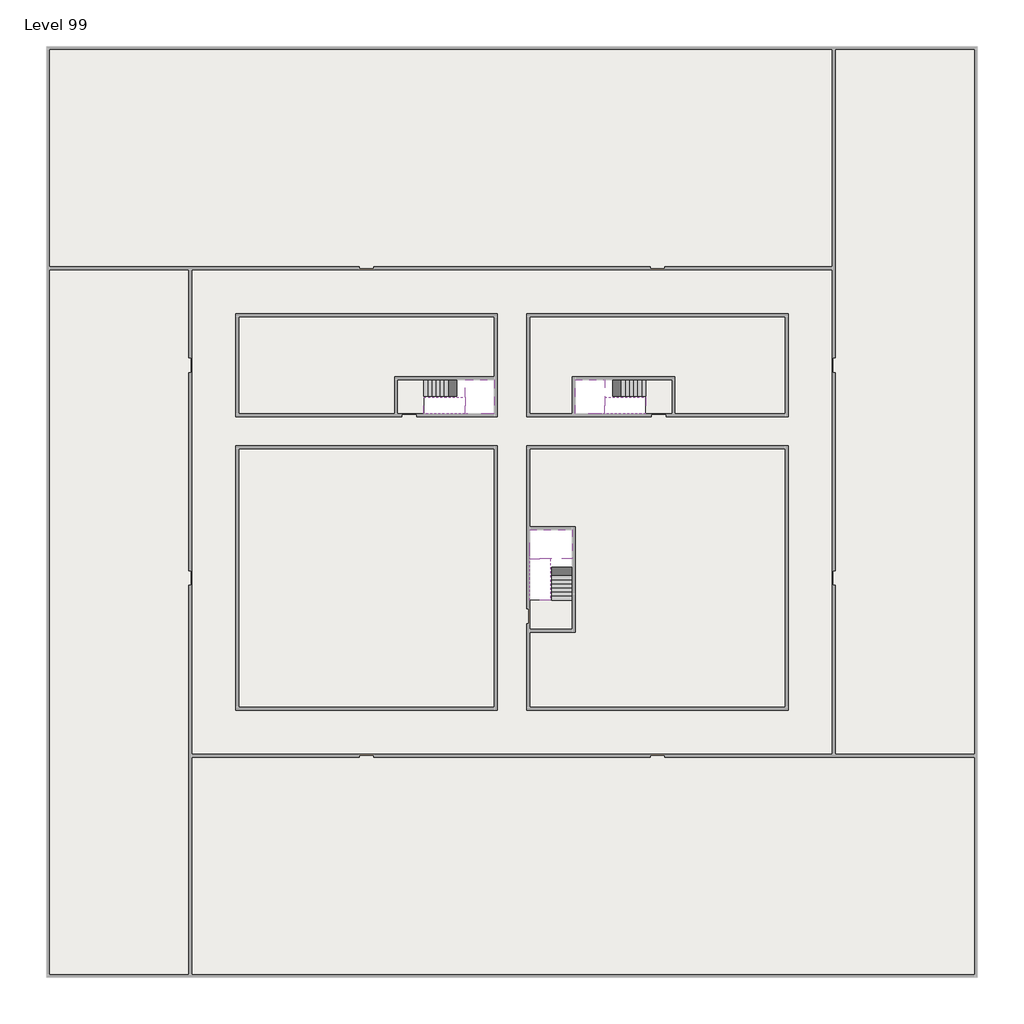
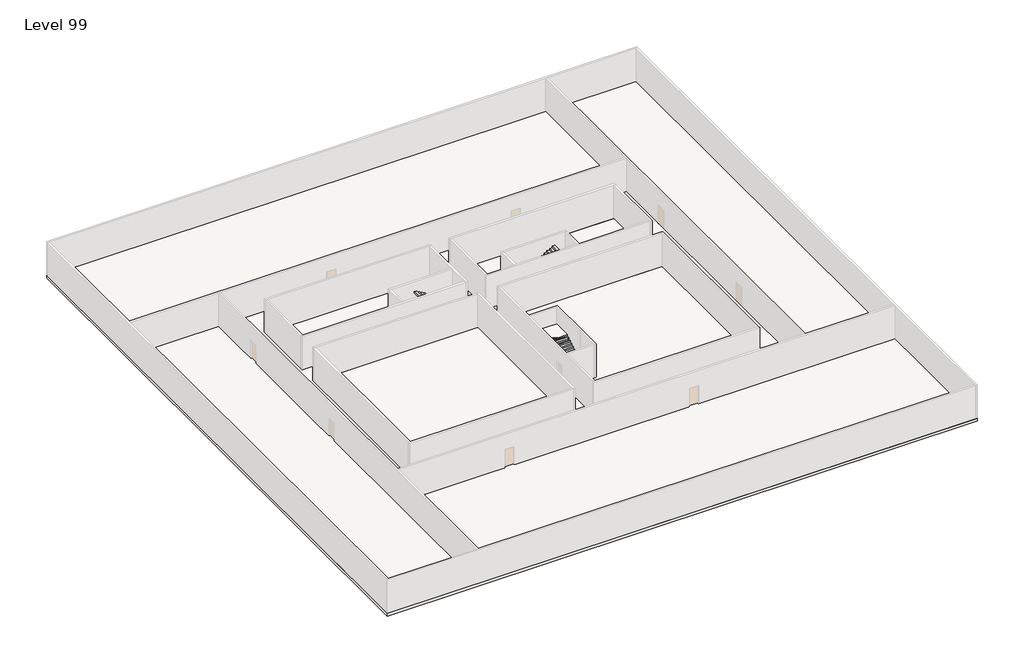
# One storey, part 2 of 2: 6 slabs, 6 stair flights.
"""IFC4 building model written with IfcOpenShell, lengths in millimetres."""

from ifc_helpers import new_model, si_unit, frame, origin, place, context, project, spatial, polyline, outline, extrude, faceted_brep, element, save

model = new_model("IFC4")

# Units and contexts
model_context = context("Model", 3, world=origin())
ifc_project = project(units=[si_unit("LENGTHUNIT", "METRE", prefix="MILLI")], contexts=[model_context])

# Site, building, storey
site = spatial("IfcSite", under=ifc_project)
building = spatial("IfcBuilding", under=site)
storey = spatial("IfcBuildingStorey", under=building, Name="Level 99", Elevation=372400.0)

# Slabs
placement = place(None, origin())
element("IfcSlab", 1, at=placement, inside=storey, context=model_context, shape_type="SweptSolid", body=[
    extrude(outline(polyline([(55890.1058784, -5518.09644), (55890.1058784, -68918.09644), (-7509.8941216, -68918.09644), (-7509.8941216, -5518.09644), (55890.1058784, -5518.09644)]), holes=[polyline([(22990.1058784, -23918.09644), (5590.1058784, -23918.09644), (5590.1058784, -30518.09644), (22990.1058784, -30518.09644), (22990.1058784, -23918.09644)]), polyline([(42990.1058784, -23918.09644), (25390.1058784, -23918.09644), (25390.1058784, -30518.09644), (42990.1058784, -30518.09644), (42990.1058784, -23918.09644)]), polyline([(25390.1058784, -50518.09644), (42790.1058784, -50518.09644), (42790.1058784, -32918.09644), (25390.1058784, -32918.09644), (25390.1058784, -50518.09644)]), polyline([(22990.1058784, -32918.09644), (5590.1058784, -32918.09644), (5590.1058784, -50518.09644), (22990.1058784, -50518.09644), (22990.1058784, -32918.09644)])]), frame((0.0, 0.0, 372100.0), z_axis=(0.0, 0.0, 1.0), x_axis=(1.0, 0.0, 0.0)), (0.0, 0.0, 1.0), 300.0),
])
element("IfcSlab", 2, at=placement, inside=storey, context=model_context, shape_type="SweptSolid", body=[
    extrude(outline(polyline([(22990.1058784, -23918.09644), (22990.1058784, -28018.09644), (16190.1058784, -28018.09644), (16190.1058784, -30518.09644), (5590.1058784, -30518.09644), (5590.1058784, -23918.09644), (22990.1058784, -23918.09644)])), frame((0.0, 0.0, 372100.0), z_axis=(0.0, 0.0, 1.0), x_axis=(1.0, 0.0, 0.0)), (0.0, 0.0, 1.0), 300.0),
    extrude(outline(polyline([(42790.1058784, -23918.09644), (42790.1058784, -30518.09644), (35290.1058784, -30518.09644), (35290.1058784, -28018.09644), (28490.1058784, -28018.09644), (28490.1058784, -30518.09644), (25390.1058784, -30518.09644), (25390.1058784, -23918.09644), (42790.1058784, -23918.09644)])), frame((0.0, 0.0, 372100.0), z_axis=(0.0, 0.0, 1.0), x_axis=(1.0, 0.0, 0.0)), (0.0, 0.0, 1.0), 300.0),
    extrude(outline(polyline([(22990.1058784, -32918.09644), (22990.1058784, -50518.09644), (5590.1058784, -50518.09644), (5590.1058784, -32918.09644), (22990.1058784, -32918.09644)])), frame((0.0, 0.0, 372100.0), z_axis=(0.0, 0.0, 1.0), x_axis=(1.0, 0.0, 0.0)), (0.0, 0.0, 1.0), 300.0),
    extrude(outline(polyline([(25390.1058784, -38218.09644), (25390.1058784, -32918.09644), (42790.1058784, -32918.09644), (42790.1058784, -50518.09644), (25390.1058784, -50518.09644), (25390.1058784, -45418.09644), (28490.1058784, -45418.09644), (28490.1058784, -38218.09644), (25390.1058784, -38218.09644)])), frame((0.0, 0.0, 372100.0), z_axis=(0.0, 0.0, 1.0), x_axis=(1.0, 0.0, 0.0)), (0.0, 0.0, 1.0), 300.0),
])
element("IfcSlab", 3, at=placement, inside=storey, context=model_context, shape_type="Brep", body=[
    faceted_brep([(26890.1058784, -40418.09644, 374300.0), (28290.1058784, -40418.09644, 374300.0), (28290.1058784, -40338.7100038, 374300.0), (28290.1058784, -38418.09644, 374300.0), (25390.1058784, -38418.09644, 374300.0), (25390.1058784, -40217.4828763, 374300.0), (25390.1058784, -40418.09644, 374300.0), (26790.1058784, -40418.09644, 374300.0), (26890.1058784, -40418.09644, 374000.0), (26890.1058784, -40418.09644, 373951.0278478), (28290.1058784, -40418.09644, 373951.0278478), (28290.1058784, -40418.09644, 374127.2727273), (28290.1058784, -40338.7100038, 374000.0), (28290.1058784, -38418.09644, 374000.0), (25390.1058784, -38418.09644, 374000.0), (25390.1058784, -40217.4828763, 374000.0), (25390.1058784, -40418.09644, 374123.7551205), (26790.1058784, -40418.09644, 374123.7551205), (26790.1058784, -40418.09644, 374000.0), (26790.1058784, -40217.4828763, 374000.0), (26890.1058784, -40338.7100038, 374000.0)], [[[0, 1, 2, 3, 4, 5, 6, 7]], [[1, 0, 8, 9, 10, 11]], [[1, 11, 10, 12, 13, 3, 2]], [[4, 3, 13, 14]], [[4, 14, 15, 16, 6, 5]], [[7, 6, 16, 17]], [[0, 7, 17, 18, 8]], [[18, 19, 15, 14, 13, 12, 20, 8]], [[19, 18, 17]], [[20, 12, 10, 9]], [[8, 20, 9]], [[15, 19, 17, 16]]]),
])
element("IfcSlab", 4, at=placement, inside=storey, context=model_context, shape_type="Brep", body=[
    faceted_brep([(20990.1058784, -28218.09644, 374300.0), (20990.1058784, -29318.09644, 374300.0), (20990.1058784, -29418.09644, 374300.0), (20990.1058784, -30518.09644, 374300.0), (21190.7194421, -30518.09644, 374300.0), (22990.1058784, -30518.09644, 374300.0), (22990.1058784, -28218.09644, 374300.0), (21069.4923146, -28218.09644, 374300.0), (20990.1058784, -28218.09644, 374127.2727273), (20990.1058784, -28218.09644, 373951.0278478), (20990.1058784, -29318.09644, 373951.0278478), (20990.1058784, -29318.09644, 374000.0), (20990.1058784, -29418.09644, 374000.0), (20990.1058784, -29418.09644, 374123.7551205), (20990.1058784, -30518.09644, 374123.7551205), (21190.7194421, -30518.09644, 374000.0), (22990.1058784, -30518.09644, 374000.0), (22990.1058784, -28218.09644, 374000.0), (21069.4923146, -28218.09644, 374000.0), (21190.7194421, -29418.09644, 374000.0), (21069.4923146, -29318.09644, 374000.0)], [[[0, 1, 2, 3, 4, 5, 6, 7]], [[1, 0, 8, 9, 10, 11]], [[2, 1, 11, 12, 13]], [[3, 2, 13, 14]], [[3, 14, 15, 16, 5, 4]], [[6, 5, 16, 17]], [[9, 8, 0, 7, 6, 17, 18]], [[19, 12, 11, 20, 18, 17, 16, 15]], [[12, 19, 13]], [[18, 20, 10, 9]], [[20, 11, 10]], [[19, 15, 14, 13]]]),
])
element("IfcSlab", 5, at=placement, inside=storey, context=model_context, shape_type="Brep", body=[
    faceted_brep([(30490.1058784, -29318.09644, 374300.0), (30490.1058784, -28218.09644, 374300.0), (30410.7194421, -28218.09644, 374300.0), (28490.1058784, -28218.09644, 374300.0), (28490.1058784, -30518.09644, 374300.0), (30289.4923146, -30518.09644, 374300.0), (30490.1058784, -30518.09644, 374300.0), (30490.1058784, -29418.09644, 374300.0), (30490.1058784, -29318.09644, 374000.0), (30490.1058784, -29318.09644, 373951.0278478), (30490.1058784, -28218.09644, 373951.0278478), (30490.1058784, -28218.09644, 374127.2727273), (30490.1058784, -29418.09644, 374123.7551205), (30490.1058784, -29418.09644, 374000.0), (30490.1058784, -30518.09644, 374123.7551205), (28490.1058784, -30518.09644, 374000.0), (30289.4923146, -30518.09644, 374000.0), (28490.1058784, -28218.09644, 374000.0), (30410.7194421, -28218.09644, 374000.0), (30289.4923146, -29418.09644, 374000.0), (30410.7194421, -29318.09644, 374000.0)], [[[0, 1, 2, 3, 4, 5, 6, 7]], [[1, 0, 8, 9, 10, 11]], [[0, 7, 12, 13, 8]], [[7, 6, 14, 12]], [[4, 15, 16, 14, 6, 5]], [[4, 3, 17, 15]], [[1, 11, 10, 18, 17, 3, 2]], [[13, 19, 16, 15, 17, 18, 20, 8]], [[20, 18, 10, 9]], [[8, 20, 9]], [[16, 19, 12, 14]], [[19, 13, 12]]]),
])
element("IfcSlab", 6, at=placement, inside=storey, context=model_context, shape_type="SweptSolid", body=[
    extrude(outline(polyline([(35090.1058784, -28218.09644), (35090.1058784, -30518.09644), (33290.1058784, -30518.09644), (33290.1058784, -28218.09644), (35090.1058784, -28218.09644)])), frame((0.0, 0.0, 372100.0), z_axis=(0.0, 0.0, 1.0), x_axis=(1.0, 0.0, 0.0)), (0.0, 0.0, 1.0), 300.0),
    extrude(outline(polyline([(18190.1058784, -28218.09644), (18190.1058784, -30518.09644), (16390.1058784, -30518.09644), (16390.1058784, -28218.09644), (18190.1058784, -28218.09644)])), frame((0.0, 0.0, 372100.0), z_axis=(0.0, 0.0, 1.0), x_axis=(1.0, 0.0, 0.0)), (0.0, 0.0, 1.0), 300.0),
    extrude(outline(polyline([(28290.1058784, -43218.09644), (28290.1058784, -45218.09644), (25390.1058784, -45218.09644), (25390.1058784, -43218.09644), (28290.1058784, -43218.09644)])), frame((0.0, 0.0, 372100.0), z_axis=(0.0, 0.0, 1.0), x_axis=(1.0, 0.0, 0.0)), (0.0, 0.0, 1.0), 300.0),
])

# Stair flights
element("IfcStairFlight", 7, at=placement, inside=storey, context=model_context, shape_type="Brep", body=[
    faceted_brep([(26890.1058784, -42938.09644, 372572.7272727), (26890.1058784, -43218.09644, 372572.7272727), (28290.1058784, -43218.09644, 372572.7272727), (28290.1058784, -42938.09644, 372572.7272727), (26890.1058784, -42938.09644, 372400.0), (26890.1058784, -43218.09644, 372400.0), (28290.1058784, -43218.09644, 372400.0), (28290.1058784, -42938.09644, 372400.0), (26890.1058784, -42658.09644, 372745.4545455), (26890.1058784, -42938.09644, 372745.4545455), (28290.1058784, -42938.09644, 372745.4545455), (28290.1058784, -42658.09644, 372745.4545455), (26890.1058784, -42658.09644, 372569.209666), (26890.1058784, -42932.3942143, 372400.0), (28290.1058784, -42932.3942143, 372400.0), (28290.1058784, -42658.09644, 372569.209666), (26890.1058784, -42378.09644, 372918.1818182), (26890.1058784, -42658.09644, 372918.1818182), (28290.1058784, -42658.09644, 372918.1818182), (28290.1058784, -42378.09644, 372918.1818182), (26890.1058784, -42378.09644, 372741.9369387), (28290.1058784, -42378.09644, 372741.9369387), (26890.1058784, -42098.09644, 373090.9090909), (26890.1058784, -42378.09644, 373090.9090909), (28290.1058784, -42378.09644, 373090.9090909), (28290.1058784, -42098.09644, 373090.9090909), (26890.1058784, -42098.09644, 372914.6642114), (28290.1058784, -42098.09644, 372914.6642114), (26890.1058784, -41818.09644, 373263.6363636), (26890.1058784, -42098.09644, 373263.6363636), (28290.1058784, -42098.09644, 373263.6363636), (28290.1058784, -41818.09644, 373263.6363636), (26890.1058784, -41818.09644, 373087.3914841), (28290.1058784, -41818.09644, 373087.3914841), (26890.1058784, -41538.09644, 373436.3636364), (26890.1058784, -41818.09644, 373436.3636364), (28290.1058784, -41818.09644, 373436.3636364), (28290.1058784, -41538.09644, 373436.3636364), (26890.1058784, -41538.09644, 373260.1187569), (28290.1058784, -41538.09644, 373260.1187569), (26890.1058784, -41258.09644, 373609.0909091), (26890.1058784, -41538.09644, 373609.0909091), (28290.1058784, -41538.09644, 373609.0909091), (28290.1058784, -41258.09644, 373609.0909091), (26890.1058784, -41258.09644, 373432.8460296), (28290.1058784, -41258.09644, 373432.8460296), (26890.1058784, -40978.09644, 373781.8181818), (26890.1058784, -41258.09644, 373781.8181818), (28290.1058784, -41258.09644, 373781.8181818), (28290.1058784, -40978.09644, 373781.8181818), (26890.1058784, -40978.09644, 373605.5733023), (28290.1058784, -40978.09644, 373605.5733023), (26890.1058784, -40698.09644, 373954.5454545), (26890.1058784, -40978.09644, 373954.5454545), (28290.1058784, -40978.09644, 373954.5454545), (28290.1058784, -40698.09644, 373954.5454545), (26890.1058784, -40698.09644, 373778.3005751), (28290.1058784, -40698.09644, 373778.3005751), (26890.1058784, -40418.09644, 374127.2727273), (26890.1058784, -40698.09644, 374127.2727273), (28290.1058784, -40698.09644, 374127.2727273), (28290.1058784, -40418.09644, 374127.2727273), (26890.1058784, -40418.09644, 374000.0), (26890.1058784, -40418.09644, 373951.0278478), (28290.1058784, -40418.09644, 373951.0278478)], [[[0, 1, 2, 3]], [[1, 0, 4, 5]], [[2, 1, 5, 6]], [[3, 2, 6, 7]], [[8, 9, 10, 11]], [[4, 0, 9, 8, 12, 13]], [[0, 3, 10, 9]], [[3, 7, 14, 15, 11, 10]], [[16, 17, 18, 19]], [[17, 16, 20, 12, 8]], [[8, 11, 18, 17]], [[19, 18, 11, 15, 21]], [[22, 23, 24, 25]], [[23, 22, 26, 20, 16]], [[16, 19, 24, 23]], [[25, 24, 19, 21, 27]], [[28, 29, 30, 31]], [[29, 28, 32, 26, 22]], [[22, 25, 30, 29]], [[31, 30, 25, 27, 33]], [[34, 35, 36, 37]], [[35, 34, 38, 32, 28]], [[28, 31, 36, 35]], [[37, 36, 31, 33, 39]], [[40, 41, 42, 43]], [[41, 40, 44, 38, 34]], [[34, 37, 42, 41]], [[43, 42, 37, 39, 45]], [[46, 47, 48, 49]], [[47, 46, 50, 44, 40]], [[40, 43, 48, 47]], [[49, 48, 43, 45, 51]], [[52, 53, 54, 55]], [[53, 52, 56, 50, 46]], [[46, 49, 54, 53]], [[55, 54, 49, 51, 57]], [[58, 59, 60, 61]], [[59, 58, 62, 63, 56, 52]], [[52, 55, 60, 59]], [[61, 60, 55, 57, 64]], [[58, 61, 64, 63, 62]], [[5, 4, 13, 14, 7, 6]], [[14, 13, 12, 20, 26, 32, 38, 44, 50, 56, 63, 64, 57, 51, 45, 39, 33, 27, 21, 15]]]),
])
element("IfcStairFlight", 8, at=placement, inside=storey, context=model_context, shape_type="Brep", body=[
    faceted_brep([(26790.1058784, -40698.09644, 374472.7272727), (26790.1058784, -40418.09644, 374472.7272727), (25390.1058784, -40418.09644, 374472.7272727), (25390.1058784, -40698.09644, 374472.7272727), (26790.1058784, -40698.09644, 374296.4823932), (26790.1058784, -40418.09644, 374123.7551205), (25390.1058784, -40418.09644, 374123.7551205), (25390.1058784, -40418.09644, 374300.0), (25390.1058784, -40698.09644, 374296.4823932), (26790.1058784, -40978.09644, 374645.4545455), (26790.1058784, -40698.09644, 374645.4545455), (25390.1058784, -40698.09644, 374645.4545455), (25390.1058784, -40978.09644, 374645.4545455), (26790.1058784, -40978.09644, 374469.209666), (25390.1058784, -40978.09644, 374469.209666), (26790.1058784, -41258.09644, 374818.1818182), (26790.1058784, -40978.09644, 374818.1818182), (25390.1058784, -40978.09644, 374818.1818182), (25390.1058784, -41258.09644, 374818.1818182), (26790.1058784, -41258.09644, 374641.9369387), (25390.1058784, -41258.09644, 374641.9369387), (26790.1058784, -41538.09644, 374990.9090909), (26790.1058784, -41258.09644, 374990.9090909), (25390.1058784, -41258.09644, 374990.9090909), (25390.1058784, -41538.09644, 374990.9090909), (26790.1058784, -41538.09644, 374814.6642114), (25390.1058784, -41538.09644, 374814.6642114), (26790.1058784, -41818.09644, 375163.6363636), (26790.1058784, -41538.09644, 375163.6363636), (25390.1058784, -41538.09644, 375163.6363636), (25390.1058784, -41818.09644, 375163.6363636), (26790.1058784, -41818.09644, 374987.3914841), (25390.1058784, -41818.09644, 374987.3914841), (26790.1058784, -42098.09644, 375336.3636364), (26790.1058784, -41818.09644, 375336.3636364), (25390.1058784, -41818.09644, 375336.3636364), (25390.1058784, -42098.09644, 375336.3636364), (26790.1058784, -42098.09644, 375160.1187569), (25390.1058784, -42098.09644, 375160.1187569), (26790.1058784, -42378.09644, 375509.0909091), (26790.1058784, -42098.09644, 375509.0909091), (25390.1058784, -42098.09644, 375509.0909091), (25390.1058784, -42378.09644, 375509.0909091), (26790.1058784, -42378.09644, 375332.8460296), (25390.1058784, -42378.09644, 375332.8460296), (26790.1058784, -42658.09644, 375681.8181818), (26790.1058784, -42378.09644, 375681.8181818), (25390.1058784, -42378.09644, 375681.8181818), (25390.1058784, -42658.09644, 375681.8181818), (26790.1058784, -42658.09644, 375505.5733023), (25390.1058784, -42658.09644, 375505.5733023), (26790.1058784, -42938.09644, 375854.5454545), (26790.1058784, -42658.09644, 375854.5454545), (25390.1058784, -42658.09644, 375854.5454545), (25390.1058784, -42938.09644, 375854.5454545), (26790.1058784, -42938.09644, 375678.3005751), (25390.1058784, -42938.09644, 375678.3005751), (26790.1058784, -43218.09644, 376027.2727273), (26790.1058784, -42938.09644, 376027.2727273), (25390.1058784, -42938.09644, 376027.2727273), (25390.1058784, -43218.09644, 376027.2727273), (26790.1058784, -43218.09644, 375851.0278478), (25390.1058784, -43218.09644, 375851.0278478)], [[[0, 1, 2, 3]], [[1, 0, 4, 5]], [[2, 1, 5, 6, 7]], [[3, 2, 7, 6, 8]], [[9, 10, 11, 12]], [[10, 9, 13, 4, 0]], [[11, 10, 0, 3]], [[12, 11, 3, 8, 14]], [[15, 16, 17, 18]], [[16, 15, 19, 13, 9]], [[17, 16, 9, 12]], [[18, 17, 12, 14, 20]], [[21, 22, 23, 24]], [[22, 21, 25, 19, 15]], [[23, 22, 15, 18]], [[24, 23, 18, 20, 26]], [[27, 28, 29, 30]], [[28, 27, 31, 25, 21]], [[29, 28, 21, 24]], [[30, 29, 24, 26, 32]], [[33, 34, 35, 36]], [[34, 33, 37, 31, 27]], [[35, 34, 27, 30]], [[36, 35, 30, 32, 38]], [[39, 40, 41, 42]], [[40, 39, 43, 37, 33]], [[41, 40, 33, 36]], [[42, 41, 36, 38, 44]], [[45, 46, 47, 48]], [[46, 45, 49, 43, 39]], [[47, 46, 39, 42]], [[48, 47, 42, 44, 50]], [[51, 52, 53, 54]], [[52, 51, 55, 49, 45]], [[53, 52, 45, 48]], [[54, 53, 48, 50, 56]], [[57, 58, 59, 60]], [[58, 57, 61, 55, 51]], [[59, 58, 51, 54]], [[60, 59, 54, 56, 62]], [[57, 60, 62, 61]], [[5, 4, 13, 19, 25, 31, 37, 43, 49, 55, 61, 62, 56, 50, 44, 38, 32, 26, 20, 14, 8, 6]]]),
])
element("IfcStairFlight", 9, at=placement, inside=storey, context=model_context, shape_type="Brep", body=[
    faceted_brep([(18470.1058784, -28218.09644, 372572.7272727), (18190.1058784, -28218.09644, 372572.7272727), (18190.1058784, -29318.09644, 372572.7272727), (18470.1058784, -29318.09644, 372572.7272727), (18470.1058784, -28218.09644, 372400.0), (18190.1058784, -28218.09644, 372400.0), (18190.1058784, -29318.09644, 372400.0), (18470.1058784, -29318.09644, 372400.0), (18750.1058784, -28218.09644, 372745.4545455), (18470.1058784, -28218.09644, 372745.4545455), (18470.1058784, -29318.09644, 372745.4545455), (18750.1058784, -29318.09644, 372745.4545455), (18750.1058784, -28218.09644, 372569.209666), (18475.8081041, -28218.09644, 372400.0), (18475.8081041, -29318.09644, 372400.0), (18750.1058784, -29318.09644, 372569.209666), (19030.1058784, -28218.09644, 372918.1818182), (18750.1058784, -28218.09644, 372918.1818182), (18750.1058784, -29318.09644, 372918.1818182), (19030.1058784, -29318.09644, 372918.1818182), (19030.1058784, -28218.09644, 372741.9369387), (19030.1058784, -29318.09644, 372741.9369387), (19310.1058784, -28218.09644, 373090.9090909), (19030.1058784, -28218.09644, 373090.9090909), (19030.1058784, -29318.09644, 373090.9090909), (19310.1058784, -29318.09644, 373090.9090909), (19310.1058784, -28218.09644, 372914.6642114), (19310.1058784, -29318.09644, 372914.6642114), (19590.1058784, -28218.09644, 373263.6363636), (19310.1058784, -28218.09644, 373263.6363636), (19310.1058784, -29318.09644, 373263.6363636), (19590.1058784, -29318.09644, 373263.6363636), (19590.1058784, -28218.09644, 373087.3914841), (19590.1058784, -29318.09644, 373087.3914841), (19870.1058784, -28218.09644, 373436.3636364), (19590.1058784, -28218.09644, 373436.3636364), (19590.1058784, -29318.09644, 373436.3636364), (19870.1058784, -29318.09644, 373436.3636364), (19870.1058784, -28218.09644, 373260.1187569), (19870.1058784, -29318.09644, 373260.1187569), (20150.1058784, -28218.09644, 373609.0909091), (19870.1058784, -28218.09644, 373609.0909091), (19870.1058784, -29318.09644, 373609.0909091), (20150.1058784, -29318.09644, 373609.0909091), (20150.1058784, -28218.09644, 373432.8460296), (20150.1058784, -29318.09644, 373432.8460296), (20430.1058784, -28218.09644, 373781.8181818), (20150.1058784, -28218.09644, 373781.8181818), (20150.1058784, -29318.09644, 373781.8181818), (20430.1058784, -29318.09644, 373781.8181818), (20430.1058784, -28218.09644, 373605.5733023), (20430.1058784, -29318.09644, 373605.5733023), (20710.1058784, -28218.09644, 373954.5454545), (20430.1058784, -28218.09644, 373954.5454545), (20430.1058784, -29318.09644, 373954.5454545), (20710.1058784, -29318.09644, 373954.5454545), (20710.1058784, -28218.09644, 373778.3005751), (20710.1058784, -29318.09644, 373778.3005751), (20990.1058784, -28218.09644, 374127.2727273), (20710.1058784, -28218.09644, 374127.2727273), (20710.1058784, -29318.09644, 374127.2727273), (20990.1058784, -29318.09644, 374127.2727273), (20990.1058784, -28218.09644, 373951.0278478), (20990.1058784, -29318.09644, 373951.0278478), (20990.1058784, -29318.09644, 374000.0)], [[[0, 1, 2, 3]], [[1, 0, 4, 5]], [[2, 1, 5, 6]], [[3, 2, 6, 7]], [[8, 9, 10, 11]], [[4, 0, 9, 8, 12, 13]], [[0, 3, 10, 9]], [[3, 7, 14, 15, 11, 10]], [[16, 17, 18, 19]], [[17, 16, 20, 12, 8]], [[8, 11, 18, 17]], [[19, 18, 11, 15, 21]], [[22, 23, 24, 25]], [[23, 22, 26, 20, 16]], [[16, 19, 24, 23]], [[25, 24, 19, 21, 27]], [[28, 29, 30, 31]], [[29, 28, 32, 26, 22]], [[22, 25, 30, 29]], [[31, 30, 25, 27, 33]], [[34, 35, 36, 37]], [[35, 34, 38, 32, 28]], [[28, 31, 36, 35]], [[37, 36, 31, 33, 39]], [[40, 41, 42, 43]], [[41, 40, 44, 38, 34]], [[34, 37, 42, 41]], [[43, 42, 37, 39, 45]], [[46, 47, 48, 49]], [[47, 46, 50, 44, 40]], [[40, 43, 48, 47]], [[49, 48, 43, 45, 51]], [[52, 53, 54, 55]], [[53, 52, 56, 50, 46]], [[46, 49, 54, 53]], [[55, 54, 49, 51, 57]], [[58, 59, 60, 61]], [[59, 58, 62, 56, 52]], [[52, 55, 60, 59]], [[61, 60, 55, 57, 63, 64]], [[58, 61, 64, 63, 62]], [[5, 4, 13, 14, 7, 6]], [[14, 13, 12, 20, 26, 32, 38, 44, 50, 56, 62, 63, 57, 51, 45, 39, 33, 27, 21, 15]]]),
])
element("IfcStairFlight", 10, at=placement, inside=storey, context=model_context, shape_type="Brep", body=[
    faceted_brep([(20710.1058784, -30518.09644, 374472.7272727), (20990.1058784, -30518.09644, 374472.7272727), (20990.1058784, -29418.09644, 374472.7272727), (20710.1058784, -29418.09644, 374472.7272727), (20710.1058784, -30518.09644, 374296.4823932), (20990.1058784, -30518.09644, 374123.7551205), (20990.1058784, -30518.09644, 374300.0), (20990.1058784, -29418.09644, 374123.7551205), (20710.1058784, -29418.09644, 374296.4823932), (20430.1058784, -30518.09644, 374645.4545455), (20710.1058784, -30518.09644, 374645.4545455), (20710.1058784, -29418.09644, 374645.4545455), (20430.1058784, -29418.09644, 374645.4545455), (20430.1058784, -30518.09644, 374469.209666), (20430.1058784, -29418.09644, 374469.209666), (20150.1058784, -30518.09644, 374818.1818182), (20430.1058784, -30518.09644, 374818.1818182), (20430.1058784, -29418.09644, 374818.1818182), (20150.1058784, -29418.09644, 374818.1818182), (20150.1058784, -30518.09644, 374641.9369387), (20150.1058784, -29418.09644, 374641.9369387), (19870.1058784, -30518.09644, 374990.9090909), (20150.1058784, -30518.09644, 374990.9090909), (20150.1058784, -29418.09644, 374990.9090909), (19870.1058784, -29418.09644, 374990.9090909), (19870.1058784, -30518.09644, 374814.6642114), (19870.1058784, -29418.09644, 374814.6642114), (19590.1058784, -30518.09644, 375163.6363636), (19870.1058784, -30518.09644, 375163.6363636), (19870.1058784, -29418.09644, 375163.6363636), (19590.1058784, -29418.09644, 375163.6363636), (19590.1058784, -30518.09644, 374987.3914841), (19590.1058784, -29418.09644, 374987.3914841), (19310.1058784, -30518.09644, 375336.3636364), (19590.1058784, -30518.09644, 375336.3636364), (19590.1058784, -29418.09644, 375336.3636364), (19310.1058784, -29418.09644, 375336.3636364), (19310.1058784, -30518.09644, 375160.1187569), (19310.1058784, -29418.09644, 375160.1187569), (19030.1058784, -30518.09644, 375509.0909091), (19310.1058784, -30518.09644, 375509.0909091), (19310.1058784, -29418.09644, 375509.0909091), (19030.1058784, -29418.09644, 375509.0909091), (19030.1058784, -30518.09644, 375332.8460296), (19030.1058784, -29418.09644, 375332.8460296), (18750.1058784, -30518.09644, 375681.8181818), (19030.1058784, -30518.09644, 375681.8181818), (19030.1058784, -29418.09644, 375681.8181818), (18750.1058784, -29418.09644, 375681.8181818), (18750.1058784, -30518.09644, 375505.5733023), (18750.1058784, -29418.09644, 375505.5733023), (18470.1058784, -30518.09644, 375854.5454545), (18750.1058784, -30518.09644, 375854.5454545), (18750.1058784, -29418.09644, 375854.5454545), (18470.1058784, -29418.09644, 375854.5454545), (18470.1058784, -30518.09644, 375678.3005751), (18470.1058784, -29418.09644, 375678.3005751), (18190.1058784, -30518.09644, 376027.2727273), (18470.1058784, -30518.09644, 376027.2727273), (18470.1058784, -29418.09644, 376027.2727273), (18190.1058784, -29418.09644, 376027.2727273), (18190.1058784, -30518.09644, 375851.0278478), (18190.1058784, -29418.09644, 375851.0278478)], [[[0, 1, 2, 3]], [[1, 0, 4, 5, 6]], [[2, 1, 6, 5, 7]], [[3, 2, 7, 8]], [[9, 10, 11, 12]], [[10, 9, 13, 4, 0]], [[11, 10, 0, 3]], [[12, 11, 3, 8, 14]], [[15, 16, 17, 18]], [[16, 15, 19, 13, 9]], [[17, 16, 9, 12]], [[18, 17, 12, 14, 20]], [[21, 22, 23, 24]], [[22, 21, 25, 19, 15]], [[23, 22, 15, 18]], [[24, 23, 18, 20, 26]], [[27, 28, 29, 30]], [[28, 27, 31, 25, 21]], [[29, 28, 21, 24]], [[30, 29, 24, 26, 32]], [[33, 34, 35, 36]], [[34, 33, 37, 31, 27]], [[35, 34, 27, 30]], [[36, 35, 30, 32, 38]], [[39, 40, 41, 42]], [[40, 39, 43, 37, 33]], [[41, 40, 33, 36]], [[42, 41, 36, 38, 44]], [[45, 46, 47, 48]], [[46, 45, 49, 43, 39]], [[47, 46, 39, 42]], [[48, 47, 42, 44, 50]], [[51, 52, 53, 54]], [[52, 51, 55, 49, 45]], [[53, 52, 45, 48]], [[54, 53, 48, 50, 56]], [[57, 58, 59, 60]], [[58, 57, 61, 55, 51]], [[59, 58, 51, 54]], [[60, 59, 54, 56, 62]], [[57, 60, 62, 61]], [[5, 4, 13, 19, 25, 31, 37, 43, 49, 55, 61, 62, 56, 50, 44, 38, 32, 26, 20, 14, 8, 7]]]),
])
element("IfcStairFlight", 11, at=placement, inside=storey, context=model_context, shape_type="Brep", body=[
    faceted_brep([(33010.1058784, -29318.09644, 372572.7272727), (33290.1058784, -29318.09644, 372572.7272727), (33290.1058784, -28218.09644, 372572.7272727), (33010.1058784, -28218.09644, 372572.7272727), (33290.1058784, -28218.09644, 372400.0), (33010.1058784, -28218.09644, 372400.0), (33290.1058784, -29318.09644, 372400.0), (33010.1058784, -29318.09644, 372400.0), (32730.1058784, -29318.09644, 372745.4545455), (33010.1058784, -29318.09644, 372745.4545455), (33010.1058784, -28218.09644, 372745.4545455), (32730.1058784, -28218.09644, 372745.4545455), (33004.4036527, -28218.09644, 372400.0), (32730.1058784, -28218.09644, 372569.209666), (32730.1058784, -29318.09644, 372569.209666), (33004.4036527, -29318.09644, 372400.0), (32450.1058784, -29318.09644, 372918.1818182), (32730.1058784, -29318.09644, 372918.1818182), (32730.1058784, -28218.09644, 372918.1818182), (32450.1058784, -28218.09644, 372918.1818182), (32450.1058784, -28218.09644, 372741.9369387), (32450.1058784, -29318.09644, 372741.9369387), (32170.1058784, -29318.09644, 373090.9090909), (32450.1058784, -29318.09644, 373090.9090909), (32450.1058784, -28218.09644, 373090.9090909), (32170.1058784, -28218.09644, 373090.9090909), (32170.1058784, -28218.09644, 372914.6642114), (32170.1058784, -29318.09644, 372914.6642114), (31890.1058784, -29318.09644, 373263.6363636), (32170.1058784, -29318.09644, 373263.6363636), (32170.1058784, -28218.09644, 373263.6363636), (31890.1058784, -28218.09644, 373263.6363636), (31890.1058784, -28218.09644, 373087.3914841), (31890.1058784, -29318.09644, 373087.3914841), (31610.1058784, -29318.09644, 373436.3636364), (31890.1058784, -29318.09644, 373436.3636364), (31890.1058784, -28218.09644, 373436.3636364), (31610.1058784, -28218.09644, 373436.3636364), (31610.1058784, -28218.09644, 373260.1187569), (31610.1058784, -29318.09644, 373260.1187569), (31330.1058784, -29318.09644, 373609.0909091), (31610.1058784, -29318.09644, 373609.0909091), (31610.1058784, -28218.09644, 373609.0909091), (31330.1058784, -28218.09644, 373609.0909091), (31330.1058784, -28218.09644, 373432.8460296), (31330.1058784, -29318.09644, 373432.8460296), (31050.1058784, -29318.09644, 373781.8181818), (31330.1058784, -29318.09644, 373781.8181818), (31330.1058784, -28218.09644, 373781.8181818), (31050.1058784, -28218.09644, 373781.8181818), (31050.1058784, -28218.09644, 373605.5733023), (31050.1058784, -29318.09644, 373605.5733023), (30770.1058784, -29318.09644, 373954.5454545), (31050.1058784, -29318.09644, 373954.5454545), (31050.1058784, -28218.09644, 373954.5454545), (30770.1058784, -28218.09644, 373954.5454545), (30770.1058784, -28218.09644, 373778.3005751), (30770.1058784, -29318.09644, 373778.3005751), (30490.1058784, -29318.09644, 374127.2727273), (30770.1058784, -29318.09644, 374127.2727273), (30770.1058784, -28218.09644, 374127.2727273), (30490.1058784, -28218.09644, 374127.2727273), (30490.1058784, -28218.09644, 373951.0278478), (30490.1058784, -29318.09644, 374000.0), (30490.1058784, -29318.09644, 373951.0278478)], [[[0, 1, 2, 3]], [[3, 2, 4, 5]], [[2, 1, 6, 4]], [[1, 0, 7, 6]], [[8, 9, 10, 11]], [[3, 5, 12, 13, 11, 10]], [[0, 3, 10, 9]], [[7, 0, 9, 8, 14, 15]], [[16, 17, 18, 19]], [[19, 18, 11, 13, 20]], [[8, 11, 18, 17]], [[17, 16, 21, 14, 8]], [[22, 23, 24, 25]], [[25, 24, 19, 20, 26]], [[16, 19, 24, 23]], [[23, 22, 27, 21, 16]], [[28, 29, 30, 31]], [[31, 30, 25, 26, 32]], [[22, 25, 30, 29]], [[29, 28, 33, 27, 22]], [[34, 35, 36, 37]], [[37, 36, 31, 32, 38]], [[28, 31, 36, 35]], [[35, 34, 39, 33, 28]], [[40, 41, 42, 43]], [[43, 42, 37, 38, 44]], [[34, 37, 42, 41]], [[41, 40, 45, 39, 34]], [[46, 47, 48, 49]], [[49, 48, 43, 44, 50]], [[40, 43, 48, 47]], [[47, 46, 51, 45, 40]], [[52, 53, 54, 55]], [[55, 54, 49, 50, 56]], [[46, 49, 54, 53]], [[53, 52, 57, 51, 46]], [[58, 59, 60, 61]], [[61, 60, 55, 56, 62]], [[52, 55, 60, 59]], [[59, 58, 63, 64, 57, 52]], [[58, 61, 62, 64, 63]], [[6, 7, 15, 12, 5, 4]], [[12, 15, 14, 21, 27, 33, 39, 45, 51, 57, 64, 62, 56, 50, 44, 38, 32, 26, 20, 13]]]),
])
element("IfcStairFlight", 12, at=placement, inside=storey, context=model_context, shape_type="Brep", body=[
    faceted_brep([(30770.1058784, -29418.09644, 374472.7272727), (30490.1058784, -29418.09644, 374472.7272727), (30490.1058784, -30518.09644, 374472.7272727), (30770.1058784, -30518.09644, 374472.7272727), (30490.1058784, -30518.09644, 374300.0), (30490.1058784, -30518.09644, 374123.7551205), (30770.1058784, -30518.09644, 374296.4823932), (30490.1058784, -29418.09644, 374123.7551205), (30770.1058784, -29418.09644, 374296.4823932), (31050.1058784, -29418.09644, 374645.4545455), (30770.1058784, -29418.09644, 374645.4545455), (30770.1058784, -30518.09644, 374645.4545455), (31050.1058784, -30518.09644, 374645.4545455), (31050.1058784, -30518.09644, 374469.209666), (31050.1058784, -29418.09644, 374469.209666), (31330.1058784, -29418.09644, 374818.1818182), (31050.1058784, -29418.09644, 374818.1818182), (31050.1058784, -30518.09644, 374818.1818182), (31330.1058784, -30518.09644, 374818.1818182), (31330.1058784, -30518.09644, 374641.9369387), (31330.1058784, -29418.09644, 374641.9369387), (31610.1058784, -29418.09644, 374990.9090909), (31330.1058784, -29418.09644, 374990.9090909), (31330.1058784, -30518.09644, 374990.9090909), (31610.1058784, -30518.09644, 374990.9090909), (31610.1058784, -30518.09644, 374814.6642114), (31610.1058784, -29418.09644, 374814.6642114), (31890.1058784, -29418.09644, 375163.6363636), (31610.1058784, -29418.09644, 375163.6363636), (31610.1058784, -30518.09644, 375163.6363636), (31890.1058784, -30518.09644, 375163.6363636), (31890.1058784, -30518.09644, 374987.3914841), (31890.1058784, -29418.09644, 374987.3914841), (32170.1058784, -29418.09644, 375336.3636364), (31890.1058784, -29418.09644, 375336.3636364), (31890.1058784, -30518.09644, 375336.3636364), (32170.1058784, -30518.09644, 375336.3636364), (32170.1058784, -30518.09644, 375160.1187569), (32170.1058784, -29418.09644, 375160.1187569), (32450.1058784, -29418.09644, 375509.0909091), (32170.1058784, -29418.09644, 375509.0909091), (32170.1058784, -30518.09644, 375509.0909091), (32450.1058784, -30518.09644, 375509.0909091), (32450.1058784, -30518.09644, 375332.8460296), (32450.1058784, -29418.09644, 375332.8460296), (32730.1058784, -29418.09644, 375681.8181818), (32450.1058784, -29418.09644, 375681.8181818), (32450.1058784, -30518.09644, 375681.8181818), (32730.1058784, -30518.09644, 375681.8181818), (32730.1058784, -30518.09644, 375505.5733023), (32730.1058784, -29418.09644, 375505.5733023), (33010.1058784, -29418.09644, 375854.5454545), (32730.1058784, -29418.09644, 375854.5454545), (32730.1058784, -30518.09644, 375854.5454545), (33010.1058784, -30518.09644, 375854.5454545), (33010.1058784, -30518.09644, 375678.3005751), (33010.1058784, -29418.09644, 375678.3005751), (33290.1058784, -29418.09644, 376027.2727273), (33010.1058784, -29418.09644, 376027.2727273), (33010.1058784, -30518.09644, 376027.2727273), (33290.1058784, -30518.09644, 376027.2727273), (33290.1058784, -30518.09644, 375851.0278478), (33290.1058784, -29418.09644, 375851.0278478)], [[[0, 1, 2, 3]], [[3, 2, 4, 5, 6]], [[2, 1, 7, 5, 4]], [[1, 0, 8, 7]], [[9, 10, 11, 12]], [[12, 11, 3, 6, 13]], [[11, 10, 0, 3]], [[10, 9, 14, 8, 0]], [[15, 16, 17, 18]], [[18, 17, 12, 13, 19]], [[17, 16, 9, 12]], [[16, 15, 20, 14, 9]], [[21, 22, 23, 24]], [[24, 23, 18, 19, 25]], [[23, 22, 15, 18]], [[22, 21, 26, 20, 15]], [[27, 28, 29, 30]], [[30, 29, 24, 25, 31]], [[29, 28, 21, 24]], [[28, 27, 32, 26, 21]], [[33, 34, 35, 36]], [[36, 35, 30, 31, 37]], [[35, 34, 27, 30]], [[34, 33, 38, 32, 27]], [[39, 40, 41, 42]], [[42, 41, 36, 37, 43]], [[41, 40, 33, 36]], [[40, 39, 44, 38, 33]], [[45, 46, 47, 48]], [[48, 47, 42, 43, 49]], [[47, 46, 39, 42]], [[46, 45, 50, 44, 39]], [[51, 52, 53, 54]], [[54, 53, 48, 49, 55]], [[53, 52, 45, 48]], [[52, 51, 56, 50, 45]], [[57, 58, 59, 60]], [[60, 59, 54, 55, 61]], [[59, 58, 51, 54]], [[58, 57, 62, 56, 51]], [[57, 60, 61, 62]], [[7, 8, 14, 20, 26, 32, 38, 44, 50, 56, 62, 61, 55, 49, 43, 37, 31, 25, 19, 13, 6, 5]]]),
])

save(model, "model.ifc")
